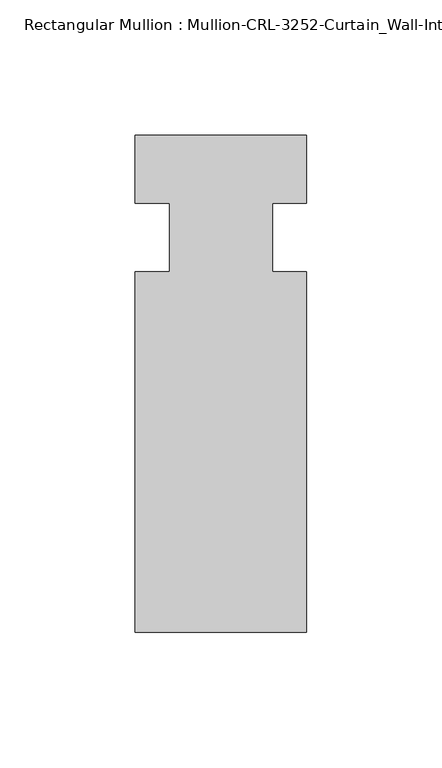
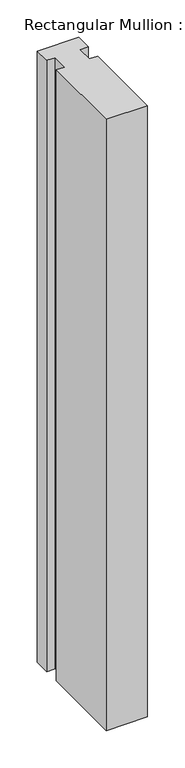
"""IFC4 building model written with IfcOpenShell, lengths in millimetres: member geometry, Rectangular Mullion : Mullion-CRL-3252-Curtain_Wall-Intermediate_Horizontal."""

from ifc_helpers import new_model, si_unit, frame, origin, place, context, project, spatial, polyline, outline, extrude, source, transform, mapped, element, save


def rectangular_mullion_mullion_crl_3252_curtain_wall_c401d32b(model_context):
    return source(origin(), model_context, "Body", "SweptSolid", [
        extrude(outline(polyline([(31.7997793, -146.0054758), (-31.7000602, -146.0054758), (-31.7000602, -12.7), (-19.008026, -12.7), (-19.008026, 12.7), (-31.7000602, 12.7), (-31.7000602, 37.8598496), (31.7997793, 37.8598496), (31.7997793, 12.7), (19.0940404, 12.7), (19.0940404, -12.7), (31.7997793, -12.7), (31.7997793, -146.0054758)])), frame((0.0, 0.0, -996.4830559), z_axis=(0.0, 0.0, 1.0), x_axis=(1.0, 0.0, 0.0)), (0.0, 0.0, 1.0), 996.4830559),
    ])


if __name__ == "__main__":
    model = new_model("IFC4")
    model_context = context("Model", 3, world=origin())
    ifc_project = project(units=[si_unit("LENGTHUNIT", "METRE", prefix="MILLI")], contexts=[model_context])
    site = spatial("IfcSite", under=ifc_project)
    building = spatial("IfcBuilding", under=site)
    placement = place(None, origin())
    rectangular_mullion_mullion_crl_3252_curtain_wall_shape = rectangular_mullion_mullion_crl_3252_curtain_wall_c401d32b(model_context)
    element("IfcMember", 1, ObjectType="Rectangular Mullion : Mullion-CRL-3252-Curtain_Wall-Intermediate_Horizontal", at=placement, inside=building, context=model_context, shape_type="MappedRepresentation", body=[
        mapped(rectangular_mullion_mullion_crl_3252_curtain_wall_shape, transform((0.0, 0.0, 0.0), x_axis=(1.0, 0.0, 0.0), y_axis=(0.0, 1.0, 0.0), z_axis=(0.0, 0.0, 1.0))),
    ])
    save(model, "model.ifc")
